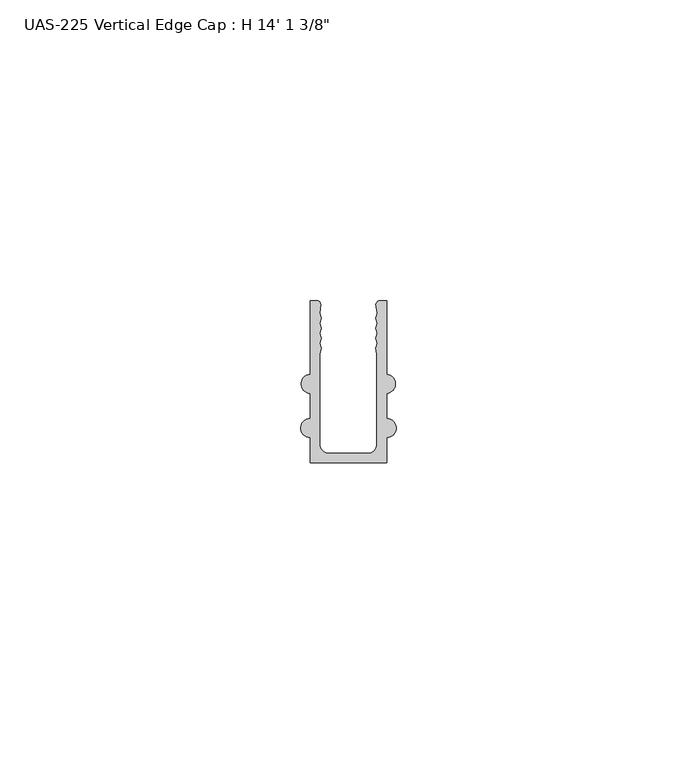
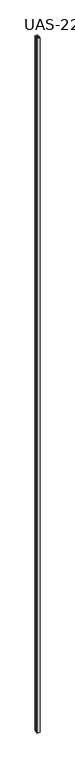
"""IFC4 building model written with IfcOpenShell, lengths in millimetres: proxy geometry."""

import ifcopenshell
import ifcopenshell.guid

model = None  # the IFC model being written
_history = None  # IfcOwnerHistory: only IFC2X3 demands one
_inside = {}  # id of a spatial element -> (the spatial element, [elements in it])
_under = {}  # id of a project, library or spatial element -> (it, [spatial elements below it])
_declared = {}  # id of a project -> (the project, [libraries it declares])
_typed = {}  # id of a type object -> (the type object, [elements of that type])
_made_of = {}  # id of a material, layer set ... -> (it, [elements and type objects made of it])


def new_model(schema):
    """Start an empty IFC model of exactly this schema.

    Asked for "IFC4X3", IfcOpenShell would pick the latest addendum, in which some entities
    have other attributes; the version numbers below select the first issue.
    IFC2X3 requires an IfcOwnerHistory on every rooted entity: one is made here for all.
    """
    global model, _history
    if schema == "IFC4X3":
        model = ifcopenshell.file(schema_version=(4, 3, 0, 0))
    else:
        model = ifcopenshell.file(schema=schema)
    _inside.clear()
    _under.clear()
    _declared.clear()
    _typed.clear()
    _made_of.clear()
    _history = None
    if model.schema == "IFC2X3":
        org = make("IfcOrganization", Name="unknown")
        user = make(
            "IfcPersonAndOrganization",
            ThePerson=make("IfcPerson", FamilyName="unknown"),
            TheOrganization=org,
        )
        app = make(
            "IfcApplication",
            ApplicationDeveloper=org,
            Version="unknown",
            ApplicationFullName="unknown",
            ApplicationIdentifier="unknown",
        )
        _history = make(
            "IfcOwnerHistory",
            OwningUser=user,
            OwningApplication=app,
            ChangeAction="ADDED",
            CreationDate=0,
        )
    return model


def make(cls, **values):
    """One entity of the class cls with the attributes given. An attribute that is None is left unset."""
    return model.create_entity(
        cls, **{name: value for name, value in values.items() if value is not None}
    )


def rooted(cls, **values):
    """An entity with a GlobalId (a new one), such as an element, a storey or a relation."""
    return make(cls, GlobalId=ifcopenshell.guid.new(), OwnerHistory=_history, **values)


def si_unit(unit_type, name, prefix=None):
    """IfcSIUnit, for example si_unit("LENGTHUNIT", "METRE", prefix="MILLI")."""
    return make("IfcSIUnit", UnitType=unit_type, Prefix=prefix, Name=name)


def assignment(units):
    """IfcUnitAssignment: the units of a project."""
    return None if units is None else make("IfcUnitAssignment", Units=units)


def point(xyz):
    """IfcCartesianPoint."""
    return None if xyz is None else make("IfcCartesianPoint", Coordinates=xyz)


def direction(xyz):
    """IfcDirection."""
    return None if xyz is None else make("IfcDirection", DirectionRatios=xyz)


def frame(location, z_axis=None, x_axis=None):
    """IfcAxis2Placement3D, a coordinate frame: its origin and axes. An axis left out is left unset."""
    return make(
        "IfcAxis2Placement3D",
        Location=point(location),
        Axis=direction(z_axis),
        RefDirection=direction(x_axis),
    )


def frame_2d(location, x_axis=None):
    """IfcAxis2Placement2D, a coordinate frame in the plane: its origin and x axis."""
    return make(
        "IfcAxis2Placement2D", Location=point(location), RefDirection=direction(x_axis)
    )


def origin():
    """The frame at (0, 0, 0) with its axes left unset."""
    return frame((0.0, 0.0, 0.0))


def origin_with_axes():
    """The frame at (0, 0, 0) with the z axis (0, 0, 1) and the x axis (1, 0, 0) written out."""
    return frame((0.0, 0.0, 0.0), z_axis=(0.0, 0.0, 1.0), x_axis=(1.0, 0.0, 0.0))


def place(relative_to, where):
    """IfcLocalPlacement: puts the frame where relative to a parent placement (None: the world)."""
    return make(
        "IfcLocalPlacement", PlacementRelTo=relative_to, RelativePlacement=where
    )


def context(
    kind, dimensions, precision=None, world=None, true_north=None, identifier=None
):
    """IfcGeometricRepresentationContext, for example the 3D "Model" context."""
    return make(
        "IfcGeometricRepresentationContext",
        ContextIdentifier=identifier,
        ContextType=kind,
        CoordinateSpaceDimension=dimensions,
        Precision=precision,
        WorldCoordinateSystem=world,
        TrueNorth=true_north,
    )


def project(units=None, contexts=None):
    """IfcProject with its units and contexts."""
    return rooted(
        "IfcProject",
        Name="project",
        RepresentationContexts=contexts,
        UnitsInContext=assignment(units),
    )


def spatial(cls, under=None, at=None, **own):
    """A site, building, storey or space (cls), placed at a placement, below another one or the project."""
    s = rooted(cls, ObjectPlacement=at, **own)
    if under is not None:
        _under.setdefault(under.id(), (under, []))[1].append(s)
    return s


def polyline(points):
    """IfcPolyline through the points."""
    return make("IfcPolyline", Points=[point(p) for p in points])


def circle_curve(where, radius):
    """IfcCircle in the frame where."""
    return make("IfcCircle", Position=where, Radius=radius)


def trimmed(basis, trim1, trim2, sense, master):
    """IfcTrimmedCurve: the piece of a basis curve between two trims."""
    return make(
        "IfcTrimmedCurve",
        BasisCurve=basis,
        Trim1=trim1,
        Trim2=trim2,
        SenseAgreement=sense,
        MasterRepresentation=master,
    )


def segment(curve, same_sense, transition):
    """IfcCompositeCurveSegment."""
    return make(
        "IfcCompositeCurveSegment",
        Transition=transition,
        SameSense=same_sense,
        ParentCurve=curve,
    )


def composite_curve(segments, self_intersect=None):
    """IfcCompositeCurve: segments joined end to end."""
    return make("IfcCompositeCurve", Segments=segments, SelfIntersect=self_intersect)


def outline(outer, holes=None, kind="AREA"):
    """IfcArbitraryClosedProfileDef: a profile drawn as a closed curve; with holes, ...WithVoids."""
    if holes is None:
        return make("IfcArbitraryClosedProfileDef", ProfileType=kind, OuterCurve=outer)
    return make(
        "IfcArbitraryProfileDefWithVoids",
        ProfileType=kind,
        OuterCurve=outer,
        InnerCurves=holes,
    )


def extrude(swept, where, along, depth):
    """IfcExtrudedAreaSolid: the profile swept, set in the frame where, extruded along a direction by depth."""
    return make(
        "IfcExtrudedAreaSolid",
        SweptArea=swept,
        Position=where,
        ExtrudedDirection=direction(along),
        Depth=depth,
    )


def shape(context_of_items, identifier, shape_type, items):
    """IfcShapeRepresentation: the items that make up one representation, for example the "Body"."""
    return make(
        "IfcShapeRepresentation",
        ContextOfItems=context_of_items,
        RepresentationIdentifier=identifier,
        RepresentationType=shape_type,
        Items=items,
    )


def source(mapping_origin, context_of_items, identifier, shape_type, items):
    """IfcRepresentationMap: a shape defined once, which mapped items show again and again."""
    return make(
        "IfcRepresentationMap",
        MappingOrigin=mapping_origin,
        MappedRepresentation=shape(context_of_items, identifier, shape_type, items),
    )


def transform(
    local_origin,
    x_axis=None,
    y_axis=None,
    z_axis=None,
    scale=None,
    scale2=None,
    scale3=None,
    uniform=True,
):
    """IfcCartesianTransformationOperator3D, or its non-uniform kind. x_axis, y_axis, z_axis: its Axis1, 2, 3."""
    if uniform:
        return make(
            "IfcCartesianTransformationOperator3D",
            Axis1=direction(x_axis),
            Axis2=direction(y_axis),
            LocalOrigin=point(local_origin),
            Scale=scale,
            Axis3=direction(z_axis),
        )
    return make(
        "IfcCartesianTransformationOperator3DnonUniform",
        Axis1=direction(x_axis),
        Axis2=direction(y_axis),
        LocalOrigin=point(local_origin),
        Scale=scale,
        Axis3=direction(z_axis),
        Scale2=scale2,
        Scale3=scale3,
    )


def mapped(mapping_source, mapping_target):
    """IfcMappedItem: shows the shape of a source again, moved by a transform."""
    return make(
        "IfcMappedItem", MappingSource=mapping_source, MappingTarget=mapping_target
    )


def made_of(thing, what):
    """Note that an element or type object is made of a material, layer set ...; save() writes the relation."""
    if what is not None:
        _made_of.setdefault(what.id(), (what, []))[1].append(thing)
    return thing


def element(
    cls,
    number,
    at=None,
    inside=None,
    cuts=None,
    type_object=None,
    material=None,
    context=None,
    identifier="Body",
    shape_type=None,
    held_by="IfcProductDefinitionShape",
    body=None,
    shapes=None,
    **own,
):
    """One element of the class cls, such as IfcWall. Its Tag is "e" and its number.

    at: its placement. inside: the storey or other place that contains it. cuts: it is an
    opening in that element (IfcRelVoidsElement). A single representation is given by context,
    identifier, shape_type and body (its items); several are given by shapes. held_by: the class
    of the entity that holds the representations. save() writes the other relations.
    """
    e = rooted(cls, Tag="e%d" % number, ObjectPlacement=at, **own)
    if body is not None:
        shapes = [shape(context, identifier, shape_type, body)]
    if shapes is not None:
        e.Representation = make(held_by, Representations=shapes)
    if inside is not None:
        _inside.setdefault(inside.id(), (inside, []))[1].append(e)
    if cuts is not None:
        rooted(
            "IfcRelVoidsElement", RelatingBuildingElement=cuts, RelatedOpeningElement=e
        )
    if type_object is not None:
        _typed.setdefault(type_object.id(), (type_object, []))[1].append(e)
    return made_of(e, material)


def aggregate(whole, parts):
    """IfcRelAggregates: a whole, such as a stair, and the parts it consists of."""
    return rooted("IfcRelAggregates", RelatingObject=whole, RelatedObjects=parts)


def save(model, path):
    """Write the relations noted so far, then the file.

    IfcRelAggregates (storeys below a building ...), IfcRelContainedInSpatialStructure (elements
    in a storey), IfcRelDefinesByType, IfcRelAssociatesMaterial and IfcRelDeclares: one each for
    every whole, place, type object, material and project.
    """
    for whole, parts in _under.values():
        aggregate(whole, parts)
    for where, things in _inside.values():
        rooted(
            "IfcRelContainedInSpatialStructure",
            RelatedElements=things,
            RelatingStructure=where,
        )
    for kind, things in _typed.values():
        rooted("IfcRelDefinesByType", RelatedObjects=things, RelatingType=kind)
    for what, things in _made_of.values():
        rooted("IfcRelAssociatesMaterial", RelatedObjects=things, RelatingMaterial=what)
    for by, libraries in _declared.values():
        rooted("IfcRelDeclares", RelatingContext=by, RelatedDefinitions=libraries)
    model.write(path)


def proxy_4f4407ec(model_context):
    return source(origin(), model_context, "Body", "SweptSolid", [
        extrude(outline(composite_curve([segment(polyline([(14.2875, 17.4398781), (14.2875, 5.1612043)]), True, "CONTINUOUS"), segment(trimmed(circle_curve(frame_2d((14.1965146, 3.5864043)), 1.5774262), [point((14.2875, 5.1612043))], [point((14.2875, 2.0116043))], False, "CARTESIAN"), True, "CONTINUOUS"), segment(polyline([(14.2875, 2.0116043), (14.2875, -2.1793957)]), True, "CONTINUOUS"), segment(trimmed(circle_curve(frame_2d((14.2875, -3.7668957)), 1.5875), [point((14.2875, -2.1793957))], [point((14.2875, -5.3543957))], False, "CARTESIAN"), True, "CONTINUOUS"), segment(polyline([(14.2875, -5.3543957), (14.2875, -9.5453957), (1.5875, -9.5453957), (1.5875, -5.3543957)]), True, "CONTINUOUS"), segment(trimmed(circle_curve(frame_2d((1.5875, -3.7668957)), 1.5875), [point((1.5875, -5.3543957))], [point((1.5875, -2.1793957))], False, "CARTESIAN"), True, "CONTINUOUS"), segment(polyline([(1.5875, -2.1793957), (1.5875, 2.0116043)]), True, "CONTINUOUS"), segment(trimmed(circle_curve(frame_2d((1.6784854, 3.5864043)), 1.5774262), [point((1.5875, 2.0116043))], [point((1.5875, 5.1612043))], False, "CARTESIAN"), True, "CONTINUOUS"), segment(polyline([(1.5875, 5.1612043), (1.5875, 17.4398781), (2.6288016, 17.4398781)]), True, "CONTINUOUS"), segment(trimmed(circle_curve(frame_2d((2.6288016, 16.7123859)), 0.7274922), [point((2.6288016, 17.4398781))], [point((3.3412585, 16.8595257))], False, "CARTESIAN"), True, "CONTINUOUS"), segment(polyline([(3.3412585, 16.8595257), (3.1475396, 15.3531342), (3.403871, 14.5147118), (3.1475396, 13.6762893), (3.403871, 12.8378669), (3.1475396, 11.9994444), (3.403871, 11.161022), (3.1475396, 10.3225996), (3.403871, 9.4841771), (3.175, 8.6103842), (3.175, -6.3703957)]), True, "CONTINUOUS"), segment(trimmed(circle_curve(frame_2d((4.7625, -6.3703957)), 1.5875), [point((3.175, -6.3703957))], [point((4.7625, -7.9578957))], True, "CARTESIAN"), True, "CONTINUOUS"), segment(polyline([(4.7625, -7.9578957), (11.1125, -7.9578957)]), True, "CONTINUOUS"), segment(trimmed(circle_curve(frame_2d((11.1125, -6.3703957)), 1.5875), [point((11.1125, -7.9578957))], [point((12.7, -6.3703957))], True, "CARTESIAN"), True, "CONTINUOUS"), segment(polyline([(12.7, -6.3703957), (12.7, 8.6103842), (12.471129, 9.4841771), (12.7274604, 10.3225996), (12.471129, 11.161022), (12.7274604, 11.9994444), (12.471129, 12.8378669), (12.7274604, 13.6762893), (12.471129, 14.5147118), (12.7274604, 15.3531342), (12.5337415, 16.8595257)]), True, "CONTINUOUS"), segment(trimmed(circle_curve(frame_2d((13.2461984, 16.7123859)), 0.7274922), [point((12.5337415, 16.8595257))], [point((13.2461984, 17.4398781))], False, "CARTESIAN"), True, "CONTINUOUS"), segment(polyline([(13.2461984, 17.4398781), (14.2875, 17.4398781)]), True, "CONTINUOUS")], self_intersect=False)), origin_with_axes(), (0.0, 0.0, 1.0), 4302.125),
    ])


if __name__ == "__main__":
    model = new_model("IFC4")
    model_context = context("Model", 3, world=origin())
    ifc_project = project(units=[si_unit("LENGTHUNIT", "METRE", prefix="MILLI")], contexts=[model_context])
    site = spatial("IfcSite", under=ifc_project)
    building = spatial("IfcBuilding", under=site)
    placement = place(None, origin())
    proxy_shape = proxy_4f4407ec(model_context)
    element("IfcBuildingElementProxy", 1, Name="UAS-225 Vertical Edge Cap : H 14' 1 3/8\"", ObjectType="UAS-225 Vertical Edge Cap : H 14' 1 3/8\"", at=placement, inside=building, context=model_context, shape_type="MappedRepresentation", body=[
        mapped(proxy_shape, transform((0.0, 0.0, 0.0), x_axis=(1.0, 0.0, 0.0), y_axis=(0.0, 1.0, 0.0), z_axis=(0.0, 0.0, 1.0))),
    ])
    save(model, "model.ifc")
